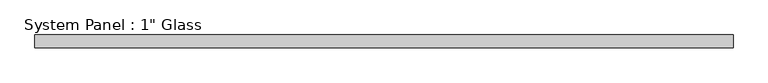
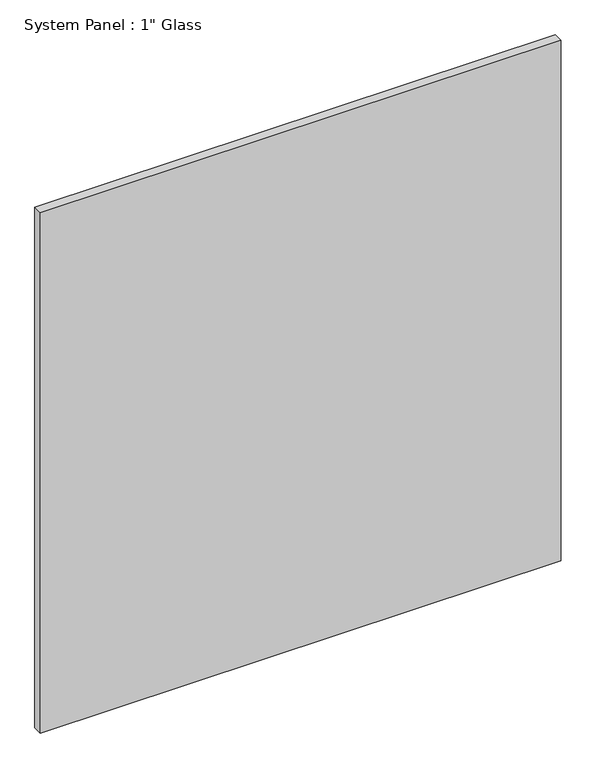
"""IFC4 building model written with IfcOpenShell, lengths in millimetres: plate geometry."""

from ifc_helpers import new_model, si_unit, origin, origin_with_axes, place, context, project, spatial, polyline, outline, extrude, source, transform, mapped, element, save


def plate_79cff86e(model_context):
    return source(origin(), model_context, "Body", "SweptSolid", [
        extrude(outline(polyline([(703.8430865, -12.7), (-703.8430865, -12.7), (-703.8430865, 12.7), (703.8430865, 12.7), (703.8430865, -12.7)])), origin_with_axes(), (0.0, 0.0, 1.0), 1485.9017704),
    ])


if __name__ == "__main__":
    model = new_model("IFC4")
    model_context = context("Model", 3, world=origin())
    ifc_project = project(units=[si_unit("LENGTHUNIT", "METRE", prefix="MILLI")], contexts=[model_context])
    site = spatial("IfcSite", under=ifc_project)
    building = spatial("IfcBuilding", under=site)
    placement = place(None, origin())
    plate_shape = plate_79cff86e(model_context)
    element("IfcPlate", 1, ObjectType="System Panel : 1\" Glass", at=placement, inside=building, context=model_context, shape_type="MappedRepresentation", body=[
        mapped(plate_shape, transform((0.0, 0.0, 0.0), x_axis=(1.0, 0.0, 0.0), y_axis=(0.0, 1.0, 0.0), z_axis=(0.0, 0.0, 1.0))),
    ])
    save(model, "model.ifc")
